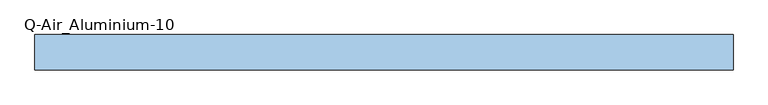
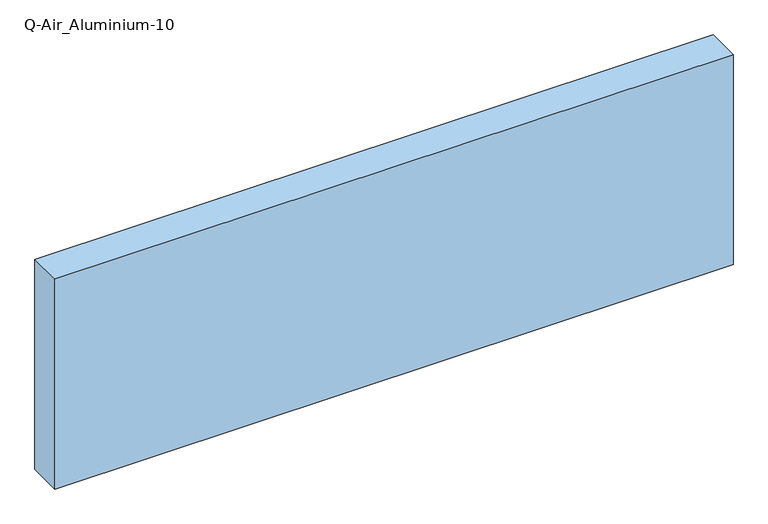
"""IFC4 building model written with IfcOpenShell, lengths in millimetres: window geometry, Q-Air_Aluminium-10."""

from ifc_helpers import new_model, si_unit, origin, origin_with_axes, place, context, project, spatial, polyline, outline, extrude, source, transform, mapped, element, save


def q_air_aluminium_10_e8d8c783(model_context):
    return source(origin(), model_context, "Body", "SweptSolid", [
        extrude(outline(polyline([(1190.0, 0.0), (1190.0, -127.0), (-1312.4, -127.0), (-1312.4, 0.0), (1190.0, 0.0)])), origin_with_axes(), (0.0, 0.0, 1.0), 820.0),
    ])


if __name__ == "__main__":
    model = new_model("IFC4")
    model_context = context("Model", 3, world=origin())
    ifc_project = project(units=[si_unit("LENGTHUNIT", "METRE", prefix="MILLI")], contexts=[model_context])
    site = spatial("IfcSite", under=ifc_project)
    building = spatial("IfcBuilding", under=site)
    placement = place(None, origin())
    q_air_aluminium_10_shape = q_air_aluminium_10_e8d8c783(model_context)
    element("IfcWindow", 1, ObjectType="Q-Air_Aluminium-10", at=placement, inside=building, context=model_context, shape_type="MappedRepresentation", body=[
        mapped(q_air_aluminium_10_shape, transform((0.0, 0.0, 0.0), x_axis=(1.0, 0.0, 0.0), y_axis=(0.0, 1.0, 0.0), z_axis=(0.0, 0.0, 1.0))),
    ])
    save(model, "model.ifc")
